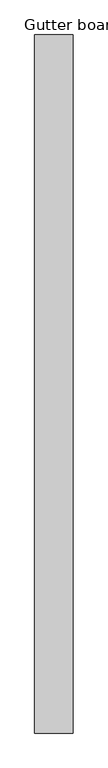
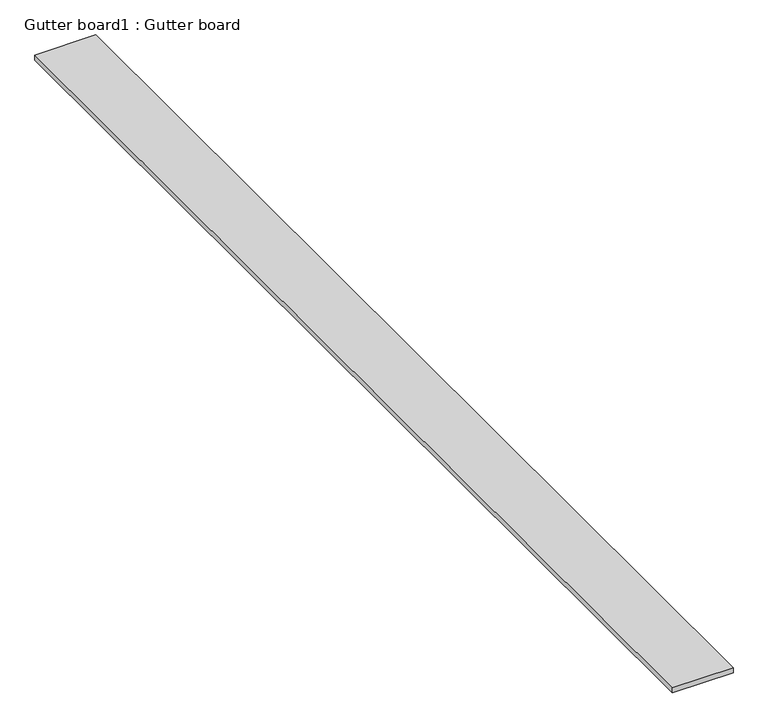
"""IFC4 building model written with IfcOpenShell, lengths in millimetres: proxy geometry, Gutter board1 : Gutter board."""

from ifc_helpers import new_model, si_unit, frame, origin, place, context, project, spatial, polyline, outline, extrude, source, transform, mapped, element, save


def gutter_board1_gutter_board_72dd4f1a(model_context):
    return source(origin(), model_context, "Body", "SweptSolid", [
        extrude(outline(polyline([(-1197.0226803, -4545.130694), (-1367.0226803, -4545.130694), (-1367.0226803, -1455.130694), (-1197.0226803, -1455.130694), (-1197.0226803, -4545.130694)])), frame((0.0, 0.0, 3784.2452806), z_axis=(0.0, 0.0, 1.0), x_axis=(1.0, 0.0, 0.0)), (0.0, 0.0, 1.0), 15.0),
    ])


if __name__ == "__main__":
    model = new_model("IFC4")
    model_context = context("Model", 3, world=origin())
    ifc_project = project(units=[si_unit("LENGTHUNIT", "METRE", prefix="MILLI")], contexts=[model_context])
    site = spatial("IfcSite", under=ifc_project)
    building = spatial("IfcBuilding", under=site)
    placement = place(None, origin())
    gutter_board1_gutter_board_shape = gutter_board1_gutter_board_72dd4f1a(model_context)
    element("IfcBuildingElementProxy", 1, Name="Gutter board1 : Gutter board", ObjectType="Gutter board1 : Gutter board", at=placement, inside=building, context=model_context, shape_type="MappedRepresentation", body=[
        mapped(gutter_board1_gutter_board_shape, transform((0.0, 0.0, 0.0), x_axis=(1.0, 0.0, 0.0), y_axis=(0.0, 1.0, 0.0), z_axis=(0.0, 0.0, 1.0))),
    ])
    save(model, "model.ifc")
